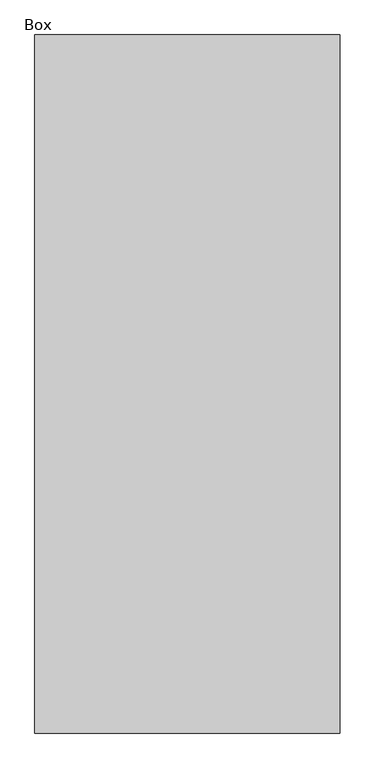
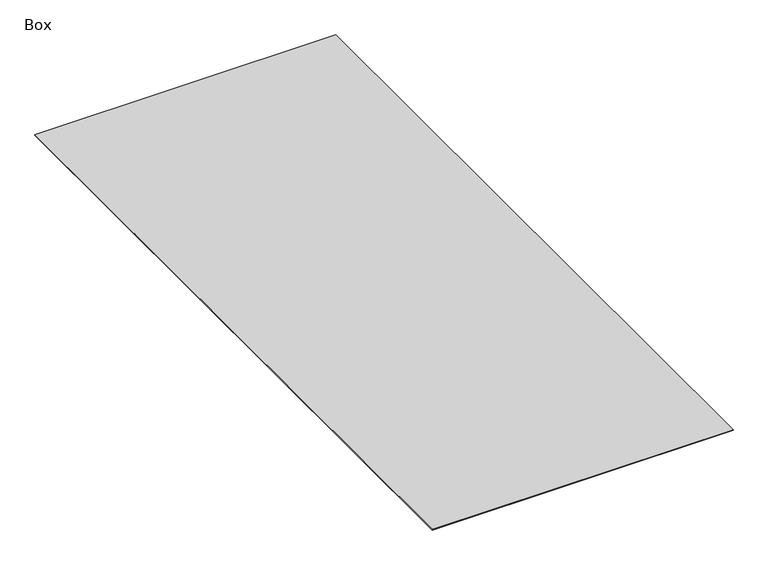
"""IFC4 building model written with IfcOpenShell, lengths in millimetres: furniture geometry, Box."""

from ifc_helpers import new_model, si_unit, origin, origin_with_axes, place, context, project, spatial, polyline, outline, extrude, source, transform, mapped, element, save


def box_cbd21de4(model_context):
    return source(origin(), model_context, "Body", "SweptSolid", [
        extrude(outline(polyline([(2349.5, 4677.0465234), (2349.5, -5076.5534766), (-1917.7, -5076.5534766), (-1917.7, 4677.0465234), (2349.5, 4677.0465234)])), origin_with_axes(), (0.0, 0.0, 1.0), 12.7),
    ])


if __name__ == "__main__":
    model = new_model("IFC4")
    model_context = context("Model", 3, world=origin())
    ifc_project = project(units=[si_unit("LENGTHUNIT", "METRE", prefix="MILLI")], contexts=[model_context])
    site = spatial("IfcSite", under=ifc_project)
    building = spatial("IfcBuilding", under=site)
    placement = place(None, origin())
    box_shape = box_cbd21de4(model_context)
    element("IfcFurniture", 1, ObjectType="Box", at=placement, inside=building, context=model_context, shape_type="MappedRepresentation", body=[
        mapped(box_shape, transform((0.0, 0.0, 0.0), x_axis=(1.0, 0.0, 0.0), y_axis=(0.0, 1.0, 0.0), z_axis=(0.0, 0.0, 1.0))),
    ])
    save(model, "model.ifc")
